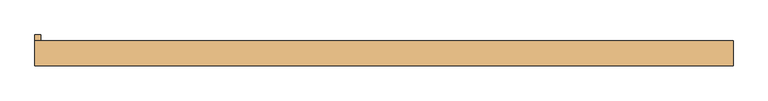
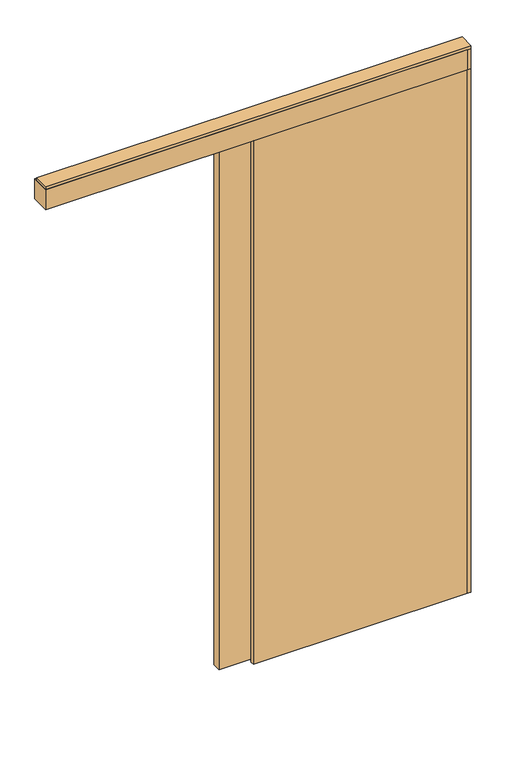
"""IFC4 building model written with IfcOpenShell, lengths in millimetres: door geometry."""

from ifc_helpers import new_model, si_unit, frame, origin, origin_with_axes, place, context, project, spatial, polyline, circle_curve, outline, extrude, source, transform, mapped, element, save
from ifc_brep_helpers import plane_surface, cylinder_surface, advanced_brep


def door_efaf1ccf(model_context):
    return source(origin(), model_context, "Body", "SolidModel", [
        advanced_brep(
        [(-20.0, 5.75, 2687.5), (-20.0, -20.25, 2687.5), (75.0, -20.25, 2687.5), (75.0, 5.75, 2687.5), (37.927668, -17.9531798, 2687.5), (37.927668, 3.4531798, 2687.5), (68.21694, 3.4531798, 2687.5), (68.21694, -17.9531798, 2687.5), (-13.21694, -17.9531798, 2687.5), (-13.21694, 3.4531798, 2687.5), (17.072332, 3.4531798, 2687.5), (17.072332, -17.9531798, 2687.5), (22.55, -7.25, 2687.5), (32.45, -7.25, 2687.5), (-20.0, 5.75, 2672.5), (75.0, 5.75, 2672.5), (75.0, -20.25, 2672.5), (-20.0, -20.25, 2672.5), (68.21694, -17.9531798, 2672.5), (68.21694, 3.4531798, 2672.5), (37.927668, 3.4531798, 2672.5), (37.927668, -17.9531798, 2672.5), (17.072332, -17.9531798, 2672.5), (17.072332, 3.4531798, 2672.5), (-13.21694, 3.4531798, 2672.5), (-13.21694, -17.9531798, 2672.5), (32.45, -7.25, 2672.5), (22.55, -7.25, 2672.5), (32.45, -7.25, 2693.0), (22.55, -7.25, 2693.0), (32.45, -7.25, 2656.0), (22.55, -7.25, 2656.0)],
        [
            (0, 1),
            (1, 2),
            (2, 3),
            (3, 0),
            (4, 5),
            (5, 6),
            (6, 7),
            (7, 4),
            (8, 9),
            (9, 10),
            (10, 11),
            (11, 8),
            (12, 13, circle_curve(frame((27.5, -7.25, 2687.5), z_axis=(0.0, 0.0, -1.0), x_axis=(-1.0, 0.0, 0.0)), 4.95)),
            (13, 12, circle_curve(frame((27.5, -7.25, 2687.5), z_axis=(0.0, 0.0, -1.0), x_axis=(-1.0, 0.0, 0.0)), 4.95)),
            (14, 15),
            (15, 16),
            (16, 17),
            (17, 14),
            (18, 19),
            (19, 20),
            (20, 21),
            (21, 18),
            (22, 23),
            (23, 24),
            (24, 25),
            (25, 22),
            (26, 27, circle_curve(frame((27.5, -7.25, 2672.5), z_axis=(0.0, 0.0, 1.0), x_axis=(-1.0, 0.0, 0.0)), 4.95)),
            (27, 26, circle_curve(frame((27.5, -7.25, 2672.5), z_axis=(0.0, 0.0, 1.0), x_axis=(-1.0, 0.0, 0.0)), 4.95)),
            (3, 15),
            (14, 0),
            (2, 16),
            (1, 17),
            (7, 4, circle_curve(frame((53.072304, -17.9531798, 2680.0), z_axis=(0.0, -1.0, 0.0), x_axis=(-1.0, 0.0, 0.0)), 16.9)),
            (21, 18, circle_curve(frame((53.072304, -17.9531798, 2680.0), z_axis=(0.0, -1.0, 0.0), x_axis=(-1.0, 0.0, 0.0)), 16.9)),
            (5, 6, circle_curve(frame((53.072304, 3.4531798, 2680.0), z_axis=(0.0, 1.0, 0.0), x_axis=(-1.0, 0.0, 0.0)), 16.9)),
            (19, 20, circle_curve(frame((53.072304, 3.4531798, 2680.0), z_axis=(0.0, 1.0, 0.0), x_axis=(-1.0, 0.0, 0.0)), 16.9)),
            (11, 8, circle_curve(frame((1.927696, -17.9531798, 2680.0), z_axis=(0.0, -1.0, 0.0), x_axis=(1.0, 0.0, 0.0)), 16.9)),
            (25, 22, circle_curve(frame((1.927696, -17.9531798, 2680.0), z_axis=(0.0, -1.0, 0.0), x_axis=(1.0, 0.0, 0.0)), 16.9)),
            (9, 10, circle_curve(frame((1.927696, 3.4531798, 2680.0), z_axis=(0.0, 1.0, 0.0), x_axis=(1.0, 0.0, 0.0)), 16.9)),
            (23, 24, circle_curve(frame((1.927696, 3.4531798, 2680.0), z_axis=(0.0, 1.0, 0.0), x_axis=(1.0, 0.0, 0.0)), 16.9)),
            (28, 29, circle_curve(frame((27.5, -7.25, 2693.0), z_axis=(0.0, 0.0, 1.0), x_axis=(-1.0, 0.0, 0.0)), 4.95)),
            (29, 28, circle_curve(frame((27.5, -7.25, 2693.0), z_axis=(0.0, 0.0, 1.0), x_axis=(-1.0, 0.0, 0.0)), 4.95)),
            (30, 31, circle_curve(frame((27.5, -7.25, 2656.0), z_axis=(0.0, 0.0, -1.0), x_axis=(-1.0, 0.0, 0.0)), 4.95)),
            (31, 30, circle_curve(frame((27.5, -7.25, 2656.0), z_axis=(0.0, 0.0, -1.0), x_axis=(-1.0, 0.0, 0.0)), 4.95)),
            (30, 26),
            (27, 31),
            (29, 12),
            (13, 28),
        ],
        [
            plane_surface(frame((75.0, 5.75, 2687.5), z_axis=(0.0, 0.0, 1.0), x_axis=(1.0, 0.0, 0.0))),
            plane_surface(frame((75.0, 5.75, 2672.5), z_axis=(0.0, 0.0, -1.0), x_axis=(-1.0, 0.0, 0.0))),
            plane_surface(frame((-20.0, 5.75, 2687.5), z_axis=(0.0, 1.0, 0.0), x_axis=(0.0, 0.0, -1.0))),
            plane_surface(frame((75.0, 5.75, 2687.5), z_axis=(1.0, 0.0, 0.0), x_axis=(0.0, 0.0, -1.0))),
            plane_surface(frame((75.0, -20.25, 2687.5), z_axis=(0.0, -1.0, 0.0), x_axis=(0.0, 0.0, -1.0))),
            plane_surface(frame((-20.0, -20.25, 2687.5), z_axis=(-1.0, 0.0, 0.0), x_axis=(0.0, 0.0, -1.0))),
            plane_surface(frame((36.172304, -17.9531798, 2680.0), z_axis=(0.0, -1.0, 0.0), x_axis=(0.0, 0.0, 1.0))),
            plane_surface(frame((36.172304, 3.4531798, 2680.0), z_axis=(0.0, 1.0, 0.0), x_axis=(0.0, 0.0, -1.0))),
            cylinder_surface(frame((53.072304, 3.4531798, 2680.0), z_axis=(0.0, -1.0, 0.0), x_axis=(-1.0, 0.0, 0.0)), 16.9),
            plane_surface(frame((18.827696, -17.9531798, 2680.0), z_axis=(0.0, -1.0, 0.0), x_axis=(0.0, 0.0, -1.0))),
            plane_surface(frame((18.827696, 3.4531798, 2680.0), z_axis=(0.0, 1.0, 0.0), x_axis=(0.0, 0.0, 1.0))),
            cylinder_surface(frame((1.927696, 3.4531798, 2680.0), z_axis=(0.0, -1.0, 0.0), x_axis=(1.0, 0.0, 0.0)), 16.9),
            plane_surface(frame((22.55, -7.25, 2693.0), z_axis=(0.0, 0.0, 1.0), x_axis=(0.0, 1.0, 0.0))),
            plane_surface(frame((22.55, -7.25, 2656.0), z_axis=(0.0, 0.0, -1.0), x_axis=(0.0, -1.0, 0.0))),
            cylinder_surface(frame((27.5, -7.25, 2656.0), z_axis=(0.0, 0.0, 1.0), x_axis=(-1.0, 0.0, 0.0)), 4.95),
        ],
        [
            (0, [[1, 2, 3, 4], [5, 6, 7, 8], [9, 10, 11, 12], [13, 14]]),
            (1, [[15, 16, 17, 18], [19, 20, 21, 22], [23, 24, 25, 26], [27, 28]]),
            (2, [[29, -15, 30, -4]]),
            (3, [[31, -16, -29, -3]]),
            (4, [[32, -17, -31, -2]]),
            (5, [[-30, -18, -32, -1]]),
            (6, [[-8, 33]]),
            (6, [[-22, 34]]),
            (7, [[-6, 35]]),
            (7, [[-20, 36]]),
            (8, [[-21, -36, -19, -34]]),
            (8, [[-7, -35, -5, -33]]),
            (9, [[-12, 37]]),
            (9, [[-26, 38]]),
            (10, [[-10, 39]]),
            (10, [[-24, 40]]),
            (11, [[-25, -40, -23, -38]]),
            (11, [[-11, -39, -9, -37]]),
            (12, [[41, 42]]),
            (13, [[43, 44]]),
            (14, [[45, -28, 46, -43]]),
            (14, [[47, -14, 48, -42]]),
            (14, [[-48, -13, -47, -41]]),
            (14, [[-46, -27, -45, -44]]),
        ],
    ),
        extrude(outline(polyline([(-103.5, -18.5074263), (-103.5, 3.4925737), (111.5, 3.4925737), (111.5, -18.5074263), (-103.5, -18.5074263)])), frame((0.0, 0.0, 2631.2), z_axis=(0.0, 0.0, 1.0), x_axis=(1.0, 0.0, 0.0)), (0.0, 0.0, 1.0), 24.8),
        advanced_brep(
        [(815.0, 5.75, 2687.5), (720.0, 5.75, 2687.5), (720.0, -20.25, 2687.5), (815.0, -20.25, 2687.5), (757.072332, -17.9531798, 2687.5), (726.78306, -17.9531798, 2687.5), (726.78306, 3.4531798, 2687.5), (757.072332, 3.4531798, 2687.5), (808.21694, -17.9531798, 2687.5), (777.927668, -17.9531798, 2687.5), (777.927668, 3.4531798, 2687.5), (808.21694, 3.4531798, 2687.5), (772.45, -7.25, 2687.5), (762.55, -7.25, 2687.5), (815.0, 5.75, 2672.5), (815.0, -20.25, 2672.5), (720.0, -20.25, 2672.5), (720.0, 5.75, 2672.5), (726.78306, -17.9531798, 2672.5), (757.072332, -17.9531798, 2672.5), (757.072332, 3.4531798, 2672.5), (726.78306, 3.4531798, 2672.5), (777.927668, -17.9531798, 2672.5), (808.21694, -17.9531798, 2672.5), (808.21694, 3.4531798, 2672.5), (777.927668, 3.4531798, 2672.5), (762.55, -7.25, 2672.5), (772.45, -7.25, 2672.5), (762.55, -7.25, 2693.0), (772.45, -7.25, 2693.0), (762.55, -7.25, 2656.0), (772.45, -7.25, 2656.0)],
        [
            (0, 1),
            (1, 2),
            (2, 3),
            (3, 0),
            (4, 5),
            (5, 6),
            (6, 7),
            (7, 4),
            (8, 9),
            (9, 10),
            (10, 11),
            (11, 8),
            (12, 13, circle_curve(frame((767.5, -7.25, 2687.5), z_axis=(0.0, 0.0, -1.0), x_axis=(1.0, 0.0, 0.0)), 4.95)),
            (13, 12, circle_curve(frame((767.5, -7.25, 2687.5), z_axis=(0.0, 0.0, -1.0), x_axis=(1.0, 0.0, 0.0)), 4.95)),
            (14, 15),
            (15, 16),
            (16, 17),
            (17, 14),
            (18, 19),
            (19, 20),
            (20, 21),
            (21, 18),
            (22, 23),
            (23, 24),
            (24, 25),
            (25, 22),
            (26, 27, circle_curve(frame((767.5, -7.25, 2672.5), z_axis=(0.0, 0.0, 1.0), x_axis=(1.0, 0.0, 0.0)), 4.95)),
            (27, 26, circle_curve(frame((767.5, -7.25, 2672.5), z_axis=(0.0, 0.0, 1.0), x_axis=(1.0, 0.0, 0.0)), 4.95)),
            (0, 14),
            (17, 1),
            (16, 2),
            (15, 3),
            (18, 19, circle_curve(frame((741.927696, -17.9531798, 2680.0), z_axis=(0.0, -1.0, 0.0), x_axis=(1.0, 0.0, 0.0)), 16.9)),
            (4, 5, circle_curve(frame((741.927696, -17.9531798, 2680.0), z_axis=(0.0, -1.0, 0.0), x_axis=(1.0, 0.0, 0.0)), 16.9)),
            (6, 7, circle_curve(frame((741.927696, 3.4531798, 2680.0), z_axis=(0.0, 1.0, 0.0), x_axis=(1.0, 0.0, 0.0)), 16.9)),
            (20, 21, circle_curve(frame((741.927696, 3.4531798, 2680.0), z_axis=(0.0, 1.0, 0.0), x_axis=(1.0, 0.0, 0.0)), 16.9)),
            (8, 9, circle_curve(frame((793.072304, -17.9531798, 2680.0), z_axis=(0.0, -1.0, 0.0), x_axis=(-1.0, 0.0, 0.0)), 16.9)),
            (22, 23, circle_curve(frame((793.072304, -17.9531798, 2680.0), z_axis=(0.0, -1.0, 0.0), x_axis=(-1.0, 0.0, 0.0)), 16.9)),
            (24, 25, circle_curve(frame((793.072304, 3.4531798, 2680.0), z_axis=(0.0, 1.0, 0.0), x_axis=(-1.0, 0.0, 0.0)), 16.9)),
            (10, 11, circle_curve(frame((793.072304, 3.4531798, 2680.0), z_axis=(0.0, 1.0, 0.0), x_axis=(-1.0, 0.0, 0.0)), 16.9)),
            (28, 29, circle_curve(frame((767.5, -7.25, 2693.0), z_axis=(0.0, 0.0, 1.0), x_axis=(1.0, 0.0, 0.0)), 4.95)),
            (29, 28, circle_curve(frame((767.5, -7.25, 2693.0), z_axis=(0.0, 0.0, 1.0), x_axis=(1.0, 0.0, 0.0)), 4.95)),
            (30, 31, circle_curve(frame((767.5, -7.25, 2656.0), z_axis=(0.0, 0.0, -1.0), x_axis=(1.0, 0.0, 0.0)), 4.95)),
            (31, 30, circle_curve(frame((767.5, -7.25, 2656.0), z_axis=(0.0, 0.0, -1.0), x_axis=(1.0, 0.0, 0.0)), 4.95)),
            (28, 13),
            (12, 29),
            (31, 27),
            (26, 30),
        ],
        [
            plane_surface(frame((720.0, 5.75, 2687.5), z_axis=(0.0, 0.0, 1.0), x_axis=(-1.0, 0.0, 0.0))),
            plane_surface(frame((720.0, 5.75, 2672.5), z_axis=(0.0, 0.0, -1.0), x_axis=(1.0, 0.0, 0.0))),
            plane_surface(frame((815.0, 5.75, 2687.5), z_axis=(0.0, 1.0, 0.0), x_axis=(0.0, 0.0, -1.0))),
            plane_surface(frame((720.0, 5.75, 2687.5), z_axis=(-1.0, 0.0, 0.0), x_axis=(0.0, 0.0, -1.0))),
            plane_surface(frame((720.0, -20.25, 2687.5), z_axis=(0.0, -1.0, 0.0), x_axis=(0.0, 0.0, -1.0))),
            plane_surface(frame((815.0, -20.25, 2687.5), z_axis=(1.0, 0.0, 0.0), x_axis=(0.0, 0.0, -1.0))),
            plane_surface(frame((758.827696, -17.9531798, 2680.0), z_axis=(0.0, -1.0, 0.0), x_axis=(0.0, 0.0, 1.0))),
            plane_surface(frame((758.827696, 3.4531798, 2680.0), z_axis=(0.0, 1.0, 0.0), x_axis=(0.0, 0.0, -1.0))),
            cylinder_surface(frame((741.927696, 3.4531798, 2680.0), z_axis=(0.0, -1.0, 0.0), x_axis=(1.0, 0.0, 0.0)), 16.9),
            plane_surface(frame((776.172304, -17.9531798, 2680.0), z_axis=(0.0, -1.0, 0.0), x_axis=(0.0, 0.0, -1.0))),
            plane_surface(frame((776.172304, 3.4531798, 2680.0), z_axis=(0.0, 1.0, 0.0), x_axis=(0.0, 0.0, 1.0))),
            cylinder_surface(frame((793.072304, 3.4531798, 2680.0), z_axis=(0.0, -1.0, 0.0), x_axis=(-1.0, 0.0, 0.0)), 16.9),
            plane_surface(frame((772.45, -7.25, 2693.0), z_axis=(0.0, 0.0, 1.0), x_axis=(0.0, 1.0, 0.0))),
            plane_surface(frame((772.45, -7.25, 2656.0), z_axis=(0.0, 0.0, -1.0), x_axis=(0.0, -1.0, 0.0))),
            cylinder_surface(frame((767.5, -7.25, 2656.0), z_axis=(0.0, 0.0, 1.0), x_axis=(1.0, 0.0, 0.0)), 4.95),
        ],
        [
            (0, [[1, 2, 3, 4], [5, 6, 7, 8], [9, 10, 11, 12], [13, 14]]),
            (1, [[15, 16, 17, 18], [19, 20, 21, 22], [23, 24, 25, 26], [27, 28]]),
            (2, [[-1, 29, -18, 30]]),
            (3, [[-2, -30, -17, 31]]),
            (4, [[-3, -31, -16, 32]]),
            (5, [[-4, -32, -15, -29]]),
            (6, [[33, -19]]),
            (6, [[34, -5]]),
            (7, [[35, -7]]),
            (7, [[36, -21]]),
            (8, [[-33, -22, -36, -20]]),
            (8, [[-34, -8, -35, -6]]),
            (9, [[37, -9]]),
            (9, [[38, -23]]),
            (10, [[39, -25]]),
            (10, [[40, -11]]),
            (11, [[-38, -26, -39, -24]]),
            (11, [[-37, -12, -40, -10]]),
            (12, [[41, 42]]),
            (13, [[43, 44]]),
            (14, [[-41, 45, -13, 46]]),
            (14, [[-44, 47, -27, 48]]),
            (14, [[-42, -46, -14, -45]]),
            (14, [[-43, -48, -28, -47]]),
        ],
    ),
        extrude(outline(polyline([(898.5, -18.5074263), (683.5, -18.5074263), (683.5, 3.4925737), (898.5, 3.4925737), (898.5, -18.5074263)])), frame((0.0, 0.0, 2631.2), z_axis=(0.0, 0.0, 1.0), x_axis=(1.0, 0.0, 0.0)), (0.0, 0.0, 1.0), 24.8),
        extrude(outline(polyline([(-102.5, 12.75), (897.5, 12.75), (897.5, -27.25), (-102.5, -27.25), (-102.5, 12.75)])), frame((0.0, 0.0, 10.0), z_axis=(0.0, 0.0, 1.0), x_axis=(1.0, 0.0, 0.0)), (0.0, 0.0, 1.0), 2646.0),
        extrude(outline(polyline([(15.3483682, 2.0), (15.3483682, 0.0), (-21.25, 0.0), (-21.25, 2.0), (-2.6516318, 2.0), (-2.6516318, 26.0), (1.6516318, 26.0), (1.6516318, 2.0), (15.3483682, 2.0)])), frame((52.5, 0.0, 0.0), z_axis=(1.0, 0.0, 0.0), x_axis=(0.0, 1.0, 0.0)), (0.0, 0.0, 1.0), 35.0),
        extrude(outline(polyline([(-949.5, -52.25), (-949.5, 37.75), (-932.5, 37.75), (-932.5, -35.25), (1075.5, -35.25), (1075.5, -52.25), (-949.5, -52.25)])), frame((0.0, 0.0, 2655.0), z_axis=(0.0, 0.0, 1.0), x_axis=(1.0, 0.0, 0.0)), (0.0, 0.0, 1.0), 102.0),
        extrude(outline(polyline([(1092.5, 20.75), (1092.5, -52.25), (-949.5, -52.25), (-949.5, 20.75), (1092.5, 20.75)])), frame((0.0, 0.0, 2757.0), z_axis=(0.0, 0.0, 1.0), x_axis=(1.0, 0.0, 0.0)), (0.0, 0.0, 1.0), 15.0),
        extrude(outline(polyline([(1092.5, -52.25), (1075.5, -52.25), (1075.5, 20.75), (1092.5, 20.75), (1092.5, -52.25)])), frame((0.0, 0.0, 2655.0), z_axis=(0.0, 0.0, 1.0), x_axis=(1.0, 0.0, 0.0)), (0.0, 0.0, 1.0), 102.0),
        extrude(outline(polyline([(1047.5, 20.75), (1047.5, -35.25), (-902.5, -35.25), (-902.5, 20.75), (1047.5, 20.75)])), frame((0.0, 0.0, 2712.0), z_axis=(0.0, 0.0, 1.0), x_axis=(1.0, 0.0, 0.0)), (0.0, 0.0, 1.0), 45.0),
        extrude(outline(polyline([(1092.5, 20.75), (1092.5, -52.25), (1075.5, -52.25), (1075.5, 20.75), (1092.5, 20.75)])), origin_with_axes(), (0.0, 0.0, 1.0), 2655.0),
        extrude(outline(polyline([(1075.5, -35.25), (1075.5, -52.25), (47.5, -52.25), (47.5, -35.25), (1075.5, -35.25)])), origin_with_axes(), (0.0, 0.0, 1.0), 2655.0),
    ])


if __name__ == "__main__":
    model = new_model("IFC4")
    model_context = context("Model", 3, world=origin())
    ifc_project = project(units=[si_unit("LENGTHUNIT", "METRE", prefix="MILLI")], contexts=[model_context])
    site = spatial("IfcSite", under=ifc_project)
    building = spatial("IfcBuilding", under=site)
    placement = place(None, origin())
    door_shape = door_efaf1ccf(model_context)
    element("IfcDoor", 1, at=placement, inside=building, context=model_context, shape_type="MappedRepresentation", body=[
        mapped(door_shape, transform((0.0, 0.0, 0.0), x_axis=(1.0, 0.0, 0.0), y_axis=(0.0, 1.0, 0.0), z_axis=(0.0, 0.0, 1.0))),
    ])
    save(model, "model.ifc")
